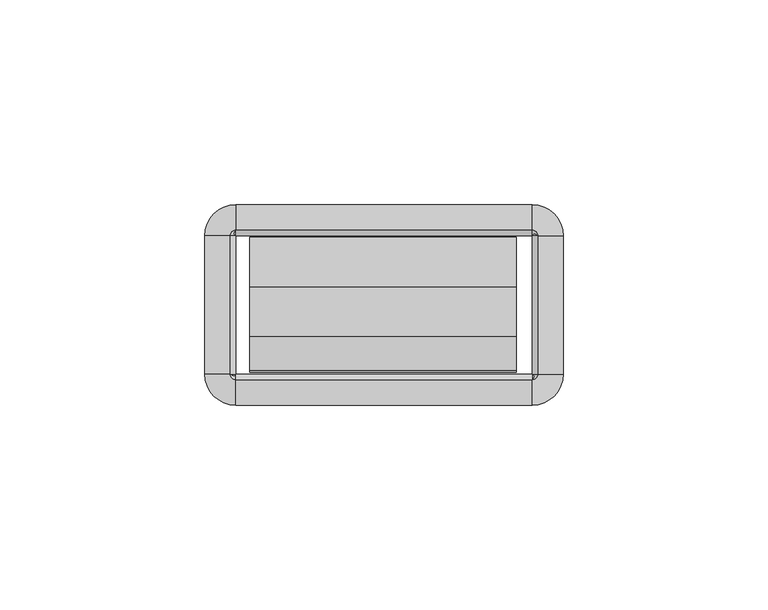
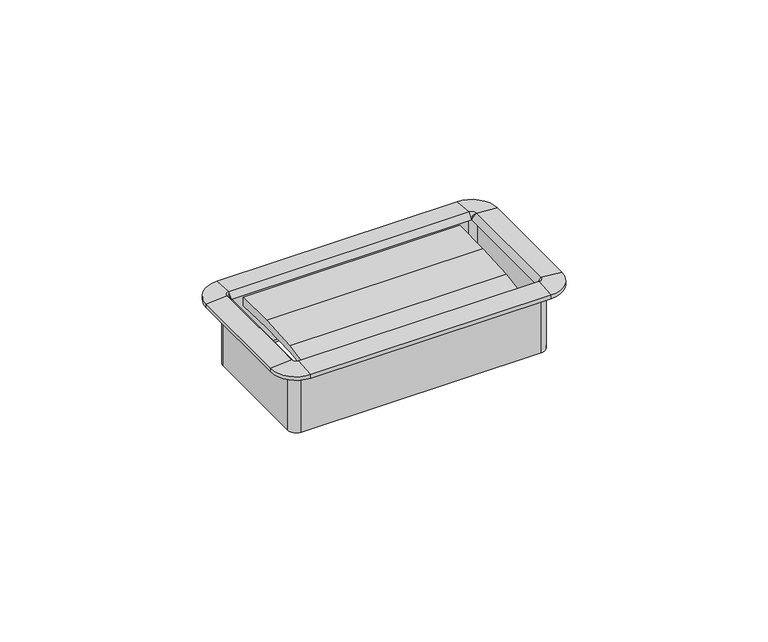
"""IFC4 building model written with IfcOpenShell, lengths in millimetres: furniture geometry."""

from ifc_helpers import new_model, si_unit, frame, origin, place, context, project, spatial, polyline, circle_curve, outline, extrude, source, transform, mapped, element, save
from ifc_brep_helpers import plane_surface, cylinder_surface, revolved_surface, advanced_brep


def furniture_615d4fff(model_context):
    return source(origin(), model_context, "Body", "SolidModel", [
        extrude(outline(polyline([(-27.4015977, 693.0313463), (-35.841251, 691.9677762), (-35.4230807, 693.3457243), (-27.1272776, 694.8847401), (-15.0207956, 695.6783076), (-2.8884162, 695.7234028), (-2.9633248, 692.9652515), (-15.1814712, 693.3642355), (-27.4015977, 693.0313463)])), frame((-32.8496732, 0.0, 0.0), z_axis=(1.0, 0.0, 0.0), x_axis=(0.0, 1.0, 0.0)), (0.0, 0.0, 1.0), 65.1763996),
        advanced_brep(
        [(37.8602578, -2.54, 695.96), (36.1704551, -0.8501974, 695.96), (36.1704551, -0.8501974, 677.1132), (37.8602578, -2.54, 677.1132), (37.5244377, -2.54, 697.6252454), (36.1704551, -1.1860174, 697.6252454), (36.1704551, -2.5172282, 695.96), (43.7913825, -2.54, 697.103), (36.1704551, 5.0809274, 697.103), (43.7913825, -2.54, 695.96), (36.1704551, 5.0809274, 695.96), (38.7104551, -2.54, 675.6399989), (36.1704551, 0.0, 675.6399989), (36.1704551, 0.0, 695.96), (38.7104551, -2.54, 695.96), (37.8602578, -36.2712, 677.1132), (37.8602578, -36.2712, 695.96), (36.1932269, -36.2712, 695.96), (37.5244377, -36.2712, 697.6252454), (43.7913825, -36.2712, 697.103), (43.7913825, -36.2712, 695.96), (38.7104551, -36.2712, 695.96), (38.7104551, -36.2712, 675.6399989), (36.1704551, -37.9610026, 695.96), (36.1704551, -37.9610026, 677.1132), (36.1704551, -37.6251826, 697.6252454), (36.1704551, -43.8921274, 697.103), (36.1704551, -43.8921274, 695.96), (36.1704551, -38.8112, 675.6399989), (36.1704551, -38.8112, 695.96), (-36.1687428, -37.9610026, 677.1132), (-36.1687428, -37.9610026, 695.96), (-36.1687428, -36.2939718, 695.96), (-36.1687428, -37.6251826, 697.6252454), (-36.1687428, -43.8921274, 697.103), (-36.1687428, -43.8921274, 695.96), (-36.1687428, -38.8112, 695.96), (-36.1687428, -38.8112, 675.6399989), (-37.8585455, -36.2712, 695.96), (-37.8585455, -36.2712, 677.1132), (-37.5227254, -36.2712, 697.6252454), (-43.7896702, -36.2712, 697.103), (-43.7896702, -36.2712, 695.96), (-38.7087428, -36.2712, 675.6399989), (-38.7087428, -36.2712, 695.96), (-37.8585455, -2.54, 677.1132), (-37.8585455, -2.54, 695.96), (-36.1915146, -2.54, 695.96), (-37.5227254, -2.54, 697.6252454), (-43.7896702, -2.54, 697.103), (-43.7896702, -2.54, 695.96), (-38.7087428, -2.54, 695.96), (-38.7087428, -2.54, 675.6399989), (-36.1687428, -0.8501974, 695.96), (-36.1687428, -0.8501974, 677.1132), (-36.1687428, -1.1860174, 697.6252454), (-36.1687428, 5.0809274, 697.103), (-36.1687428, 5.0809274, 695.96), (-36.1687428, 0.0, 675.6399989), (-36.1687428, 0.0, 695.96), (38.6519521, -2.54, 677.1132), (36.1704551, -0.058503, 677.1132), (38.6519521, -36.2712, 677.1132), (36.1704551, -38.752697, 677.1132), (-36.1687428, -38.752697, 677.1132), (-38.6502398, -36.2712, 677.1132), (-38.6502398, -2.54, 677.1132), (-36.1687428, -0.058503, 677.1132)],
        [
            (0, 1, circle_curve(frame((36.1704551, -2.54, 695.96), z_axis=(0.0, 0.0, 1.0), x_axis=(0.0, 1.0, 0.0)), 1.6898026)),
            (1, 2),
            (2, 3, circle_curve(frame((36.1704551, -2.54, 677.1132), z_axis=(0.0, 0.0, -1.0), x_axis=(0.0, 1.0, 0.0)), 1.6898026)),
            (3, 0),
            (4, 5, circle_curve(frame((36.1704551, -2.54, 697.6252454), z_axis=(0.0, 0.0, 1.0), x_axis=(0.0, 1.0, 0.0)), 1.3539826)),
            (5, 6),
            (6, 4),
            (7, 8, circle_curve(frame((36.1704551, -2.54, 697.103), z_axis=(0.0, 0.0, 1.0), x_axis=(0.0, 1.0, 0.0)), 7.6209274)),
            (8, 5),
            (4, 7),
            (9, 10, circle_curve(frame((36.1704551, -2.54, 695.96), z_axis=(0.0, 0.0, 1.0), x_axis=(0.0, 1.0, 0.0)), 7.6209274)),
            (10, 8),
            (7, 9),
            (11, 12, circle_curve(frame((36.1704551, -2.54, 675.6399989), z_axis=(0.0, 0.0, 1.0), x_axis=(0.0, 1.0, 0.0)), 2.54)),
            (12, 13),
            (13, 14, circle_curve(frame((36.1704551, -2.54, 695.96), z_axis=(0.0, 0.0, -1.0), x_axis=(0.0, 1.0, 0.0)), 2.54)),
            (14, 11),
            (3, 15),
            (15, 16),
            (16, 0),
            (6, 17),
            (17, 18),
            (18, 4),
            (18, 19),
            (19, 7),
            (19, 20),
            (20, 9),
            (14, 21),
            (21, 22),
            (22, 11),
            (23, 16, circle_curve(frame((36.1704551, -36.2712, 695.96), z_axis=(0.0, 0.0, 1.0), x_axis=(1.0, 0.0, 0.0)), 1.6898026)),
            (15, 24, circle_curve(frame((36.1704551, -36.2712, 677.1132), z_axis=(0.0, 0.0, -1.0), x_axis=(1.0, 0.0, 0.0)), 1.6898026)),
            (24, 23),
            (25, 18, circle_curve(frame((36.1704551, -36.2712, 697.6252454), z_axis=(0.0, 0.0, 1.0), x_axis=(1.0, 0.0, 0.0)), 1.3539826)),
            (17, 25),
            (26, 19, circle_curve(frame((36.1704551, -36.2712, 697.103), z_axis=(0.0, 0.0, 1.0), x_axis=(1.0, 0.0, 0.0)), 7.6209274)),
            (25, 26),
            (27, 20, circle_curve(frame((36.1704551, -36.2712, 695.96), z_axis=(0.0, 0.0, 1.0), x_axis=(1.0, 0.0, 0.0)), 7.6209274)),
            (26, 27),
            (28, 22, circle_curve(frame((36.1704551, -36.2712, 675.6399989), z_axis=(0.0, 0.0, 1.0), x_axis=(1.0, 0.0, 0.0)), 2.54)),
            (21, 29, circle_curve(frame((36.1704551, -36.2712, 695.96), z_axis=(0.0, 0.0, -1.0), x_axis=(1.0, 0.0, 0.0)), 2.54)),
            (29, 28),
            (24, 30),
            (30, 31),
            (31, 23),
            (17, 32),
            (32, 33),
            (33, 25),
            (33, 34),
            (34, 26),
            (34, 35),
            (35, 27),
            (29, 36),
            (36, 37),
            (37, 28),
            (38, 31, circle_curve(frame((-36.1687428, -36.2712, 695.96), z_axis=(0.0, 0.0, 1.0), x_axis=(0.0, -1.0, 0.0)), 1.6898026)),
            (30, 39, circle_curve(frame((-36.1687428, -36.2712, 677.1132), z_axis=(0.0, 0.0, -1.0), x_axis=(0.0, -1.0, 0.0)), 1.6898026)),
            (39, 38),
            (40, 33, circle_curve(frame((-36.1687428, -36.2712, 697.6252454), z_axis=(0.0, 0.0, 1.0), x_axis=(0.0, -1.0, 0.0)), 1.3539826)),
            (32, 40),
            (41, 34, circle_curve(frame((-36.1687428, -36.2712, 697.103), z_axis=(0.0, 0.0, 1.0), x_axis=(0.0, -1.0, 0.0)), 7.6209274)),
            (40, 41),
            (42, 35, circle_curve(frame((-36.1687428, -36.2712, 695.96), z_axis=(0.0, 0.0, 1.0), x_axis=(0.0, -1.0, 0.0)), 7.6209274)),
            (41, 42),
            (43, 37, circle_curve(frame((-36.1687428, -36.2712, 675.6399989), z_axis=(0.0, 0.0, 1.0), x_axis=(0.0, -1.0, 0.0)), 2.54)),
            (36, 44, circle_curve(frame((-36.1687428, -36.2712, 695.96), z_axis=(0.0, 0.0, -1.0), x_axis=(0.0, -1.0, 0.0)), 2.54)),
            (44, 43),
            (39, 45),
            (45, 46),
            (46, 38),
            (32, 47),
            (47, 48),
            (48, 40),
            (48, 49),
            (49, 41),
            (49, 50),
            (50, 42),
            (44, 51),
            (51, 52),
            (52, 43),
            (53, 46, circle_curve(frame((-36.1687428, -2.54, 695.96), z_axis=(0.0, 0.0, 1.0), x_axis=(-1.0, 0.0, 0.0)), 1.6898026)),
            (45, 54, circle_curve(frame((-36.1687428, -2.54, 677.1132), z_axis=(0.0, 0.0, -1.0), x_axis=(-1.0, 0.0, 0.0)), 1.6898026)),
            (54, 53),
            (55, 48, circle_curve(frame((-36.1687428, -2.54, 697.6252454), z_axis=(0.0, 0.0, 1.0), x_axis=(-1.0, 0.0, 0.0)), 1.3539826)),
            (47, 55),
            (56, 49, circle_curve(frame((-36.1687428, -2.54, 697.103), z_axis=(0.0, 0.0, 1.0), x_axis=(-1.0, 0.0, 0.0)), 7.6209274)),
            (55, 56),
            (57, 50, circle_curve(frame((-36.1687428, -2.54, 695.96), z_axis=(0.0, 0.0, 1.0), x_axis=(-1.0, 0.0, 0.0)), 7.6209274)),
            (56, 57),
            (58, 52, circle_curve(frame((-36.1687428, -2.54, 675.6399989), z_axis=(0.0, 0.0, 1.0), x_axis=(-1.0, 0.0, 0.0)), 2.54)),
            (51, 59, circle_curve(frame((-36.1687428, -2.54, 695.96), z_axis=(0.0, 0.0, -1.0), x_axis=(-1.0, 0.0, 0.0)), 2.54)),
            (59, 58),
            (54, 2),
            (1, 53),
            (6, 47),
            (5, 55),
            (8, 56),
            (10, 57),
            (13, 59),
            (12, 58),
            (60, 61, circle_curve(frame((36.1704551, -2.54, 677.1132), z_axis=(0.0, 0.0, 1.0), x_axis=(0.0, 1.0, 0.0)), 2.481497)),
            (61, 12),
            (11, 60),
            (22, 62),
            (62, 60),
            (63, 62, circle_curve(frame((36.1704551, -36.2712, 677.1132), z_axis=(0.0, 0.0, 1.0), x_axis=(1.0, 0.0, 0.0)), 2.481497)),
            (28, 63),
            (37, 64),
            (64, 63),
            (65, 64, circle_curve(frame((-36.1687428, -36.2712, 677.1132), z_axis=(0.0, 0.0, 1.0), x_axis=(0.0, -1.0, 0.0)), 2.481497)),
            (43, 65),
            (52, 66),
            (66, 65),
            (67, 66, circle_curve(frame((-36.1687428, -2.54, 677.1132), z_axis=(0.0, 0.0, 1.0), x_axis=(-1.0, 0.0, 0.0)), 2.481497)),
            (58, 67),
            (61, 67),
        ],
        [
            revolved_surface(polyline([(36.1704551, -0.8501974000000001, 677.1132), (36.1704551, -0.8501974000000001, 695.96)]), (36.1704551, -2.54, 695.96), (0.0, 0.0, -1.0)),
            revolved_surface(polyline([(36.1704551, -2.5172282, 695.96), (36.1704551, -1.1860174, 697.6252454)]), (36.1704551, -2.54, 695.96), (0.0, 0.0, -1.0)),
            revolved_surface(polyline([(36.1704551, -1.1860174, 697.6252454), (36.1704551, 5.0809274, 697.103)]), (36.1704551, -2.54, 695.96), (0.0, 0.0, -1.0)),
            cylinder_surface(frame((36.1704551, -2.54, 695.96), z_axis=(0.0, 0.0, -1.0), x_axis=(0.0, 1.0, 0.0)), 7.6209274),
            cylinder_surface(frame((36.1704551, -2.54, 695.96), z_axis=(0.0, 0.0, -1.0), x_axis=(0.0, 1.0, 0.0)), 2.54),
            plane_surface(frame((37.8602578, -2.54, 677.1132), z_axis=(-1.0, 0.0, 0.0), x_axis=(0.0, -1.0, 0.0))),
            plane_surface(frame((36.1932269, -2.54, 695.96), z_axis=(-0.7810942622858547, 0.0, 0.6244131272035499), x_axis=(0.0, -1.0, 0.0))),
            plane_surface(frame((37.5244377, -2.54, 697.6252454), z_axis=(0.08304548081379862, 0.0, 0.9965457581648749), x_axis=(0.0, -1.0, 0.0))),
            plane_surface(frame((43.7913825, -2.54, 697.103), z_axis=(1.0, 0.0, 0.0), x_axis=(0.0, -1.0, 0.0))),
            plane_surface(frame((38.7104551, -2.54, 695.96), z_axis=(1.0, 0.0, 0.0), x_axis=(0.0, -1.0, 0.0))),
            revolved_surface(polyline([(37.8602577, -36.2712, 677.1132), (37.8602577, -36.2712, 695.96)]), (36.1704551, -36.2712, 695.96), (0.0, 0.0, -1.0)),
            revolved_surface(polyline([(36.1932269, -36.2712, 695.96), (37.5244377, -36.2712, 697.6252454)]), (36.1704551, -36.2712, 695.96), (0.0, 0.0, -1.0)),
            revolved_surface(polyline([(37.5244377, -36.2712, 697.6252454), (43.7913825, -36.2712, 697.103)]), (36.1704551, -36.2712, 695.96), (0.0, 0.0, -1.0)),
            cylinder_surface(frame((36.1704551, -36.2712, 695.96), z_axis=(0.0, 0.0, -1.0), x_axis=(1.0, 0.0, 0.0)), 7.6209274),
            cylinder_surface(frame((36.1704551, -36.2712, 695.96), z_axis=(0.0, 0.0, -1.0), x_axis=(1.0, 0.0, 0.0)), 2.54),
            plane_surface(frame((36.1704551, -37.9610026, 677.1132), z_axis=(0.0, 1.0, 0.0), x_axis=(-1.0, 0.0, 0.0))),
            plane_surface(frame((36.1704551, -36.2939718, 695.96), z_axis=(0.0, 0.7810942622858565, 0.6244131272035475), x_axis=(-1.0, 0.0, 0.0))),
            plane_surface(frame((36.1704551, -37.6251826, 697.6252454), z_axis=(0.0, -0.08304548081379555, 0.9965457581648751), x_axis=(-1.0, 0.0, 0.0))),
            plane_surface(frame((36.1704551, -43.8921274, 697.103), z_axis=(0.0, -1.0, 0.0), x_axis=(-1.0, 0.0, 0.0))),
            plane_surface(frame((36.1704551, -38.8112, 695.96), z_axis=(0.0, -1.0, 0.0), x_axis=(-1.0, 0.0, 0.0))),
            revolved_surface(polyline([(-36.1687428, -37.9610026, 677.1132), (-36.1687428, -37.9610026, 695.96)]), (-36.1687428, -36.2712, 695.96), (0.0, 0.0, -1.0)),
            revolved_surface(polyline([(-36.1687428, -36.2939718, 695.96), (-36.1687428, -37.6251826, 697.6252454)]), (-36.1687428, -36.2712, 695.96), (0.0, 0.0, -1.0)),
            revolved_surface(polyline([(-36.1687428, -37.6251826, 697.6252454), (-36.1687428, -43.8921274, 697.103)]), (-36.1687428, -36.2712, 695.96), (0.0, 0.0, -1.0)),
            cylinder_surface(frame((-36.1687428, -36.2712, 695.96), z_axis=(0.0, 0.0, -1.0), x_axis=(0.0, -1.0, 0.0)), 7.6209274),
            cylinder_surface(frame((-36.1687428, -36.2712, 695.96), z_axis=(0.0, 0.0, -1.0), x_axis=(0.0, -1.0, 0.0)), 2.54),
            plane_surface(frame((-37.8585455, -36.2712, 677.1132), z_axis=(1.0, 0.0, 0.0), x_axis=(0.0, 1.0, 0.0))),
            plane_surface(frame((-36.1915146, -36.2712, 695.96), z_axis=(0.7810942622858585, 0.0, 0.6244131272035451), x_axis=(0.0, 1.0, 0.0))),
            plane_surface(frame((-37.5227254, -36.2712, 697.6252454), z_axis=(-0.08304548081379248, 0.0, 0.9965457581648753), x_axis=(0.0, 1.0, 0.0))),
            plane_surface(frame((-43.7896702, -36.2712, 697.103), z_axis=(-1.0, 0.0, 0.0), x_axis=(0.0, 1.0, 0.0))),
            plane_surface(frame((-38.7087428, -36.2712, 695.96), z_axis=(-1.0, 0.0, 0.0), x_axis=(0.0, 1.0, 0.0))),
            revolved_surface(polyline([(-37.8585454, -2.54, 677.1132), (-37.8585454, -2.54, 695.96)]), (-36.1687428, -2.54, 695.96), (0.0, 0.0, -1.0)),
            revolved_surface(polyline([(-36.1915146, -2.54, 695.96), (-37.5227254, -2.54, 697.6252454)]), (-36.1687428, -2.54, 695.96), (0.0, 0.0, -1.0)),
            revolved_surface(polyline([(-37.5227254, -2.54, 697.6252454), (-43.7896702, -2.54, 697.103)]), (-36.1687428, -2.54, 695.96), (0.0, 0.0, -1.0)),
            cylinder_surface(frame((-36.1687428, -2.54, 695.96), z_axis=(0.0, 0.0, -1.0), x_axis=(-1.0, 0.0, 0.0)), 7.6209274),
            cylinder_surface(frame((-36.1687428, -2.54, 695.96), z_axis=(0.0, 0.0, -1.0), x_axis=(-1.0, 0.0, 0.0)), 2.54),
            plane_surface(frame((-36.1687428, -0.8501974, 677.1132), z_axis=(0.0, -1.0, 0.0), x_axis=(1.0, 0.0, 0.0))),
            plane_surface(frame((-36.1687428, -0.8501974, 695.96), z_axis=(0.0, 0.0, -1.0), x_axis=(1.0, 0.0, 0.0))),
            plane_surface(frame((-36.1687428, -2.5172282, 695.96), z_axis=(0.0, -0.7810942622858567, 0.6244131272035476), x_axis=(1.0, 0.0, 0.0))),
            plane_surface(frame((-36.1687428, -1.1860174, 697.6252454), z_axis=(0.0, 0.08304548081379555, 0.9965457581648751), x_axis=(1.0, 0.0, 0.0))),
            plane_surface(frame((-36.1687428, 5.0809274, 697.103), z_axis=(0.0, 1.0, 0.0), x_axis=(1.0, 0.0, 0.0))),
            plane_surface(frame((-36.1687428, 5.0809274, 695.96), z_axis=(0.0, 0.0, -1.0), x_axis=(1.0, 0.0, 0.0))),
            plane_surface(frame((-36.1687428, 0.0, 695.96), z_axis=(0.0, 1.0, 0.0), x_axis=(1.0, 0.0, 0.0))),
            revolved_surface(polyline([(36.1704551, 0.0, 675.6399989), (36.1704551, -0.058503, 677.1132)]), (36.1704551, -2.54, 695.96), (0.0, 0.0, -1.0)),
            plane_surface(frame((38.7104551, -2.54, 675.6399989), z_axis=(-0.9992124303949471, 0.0, -0.03968020847000604), x_axis=(0.0, -1.0, 0.0))),
            revolved_surface(polyline([(38.7104551, -36.2712, 675.6399989), (38.6519521, -36.2712, 677.1132)]), (36.1704551, -36.2712, 695.96), (0.0, 0.0, -1.0)),
            plane_surface(frame((36.1704551, -38.8112, 675.6399989), z_axis=(0.0, 0.999212430394947, -0.039680208470009116), x_axis=(-1.0, 0.0, 0.0))),
            revolved_surface(polyline([(-36.1687428, -38.8112, 675.6399989), (-36.1687428, -38.752697, 677.1132)]), (-36.1687428, -36.2712, 695.96), (0.0, 0.0, -1.0)),
            plane_surface(frame((-38.7087428, -36.2712, 675.6399989), z_axis=(0.9992124303949469, 0.0, -0.03968020847001219), x_axis=(0.0, 1.0, 0.0))),
            revolved_surface(polyline([(-38.7087428, -2.54, 675.6399989), (-38.6502398, -2.54, 677.1132)]), (-36.1687428, -2.54, 695.96), (0.0, 0.0, -1.0)),
            plane_surface(frame((-36.1687428, 0.0, 675.6399989), z_axis=(0.0, -0.999212430394947, -0.039680208470009116), x_axis=(1.0, 0.0, 0.0))),
            plane_surface(frame((-36.1687428, -0.058503, 677.1132), z_axis=(0.0, 0.0, -1.0), x_axis=(1.0, 0.0, 0.0))),
        ],
        [
            (0, [[1, 2, 3, 4]]),
            (1, [[5, 6, 7]]),
            (2, [[8, 9, -5, 10]]),
            (3, [[11, 12, -8, 13]]),
            (4, [[14, 15, 16, 17]]),
            (5, [[-4, 18, 19, 20]]),
            (6, [[-7, 21, 22, 23]]),
            (7, [[-10, -23, 24, 25]]),
            (8, [[-13, -25, 26, 27]]),
            (9, [[-17, 28, 29, 30]]),
            (10, [[31, -19, 32, 33]]),
            (11, [[34, -22, 35]]),
            (12, [[36, -24, -34, 37]]),
            (13, [[38, -26, -36, 39]]),
            (14, [[40, -29, 41, 42]]),
            (15, [[-33, 43, 44, 45]]),
            (16, [[-35, 46, 47, 48]]),
            (17, [[-37, -48, 49, 50]]),
            (18, [[-39, -50, 51, 52]]),
            (19, [[-42, 53, 54, 55]]),
            (20, [[56, -44, 57, 58]]),
            (21, [[59, -47, 60]]),
            (22, [[61, -49, -59, 62]]),
            (23, [[63, -51, -61, 64]]),
            (24, [[65, -54, 66, 67]]),
            (25, [[-58, 68, 69, 70]]),
            (26, [[-60, 71, 72, 73]]),
            (27, [[-62, -73, 74, 75]]),
            (28, [[-64, -75, 76, 77]]),
            (29, [[-67, 78, 79, 80]]),
            (30, [[81, -69, 82, 83]]),
            (31, [[84, -72, 85]]),
            (32, [[86, -74, -84, 87]]),
            (33, [[88, -76, -86, 89]]),
            (34, [[90, -79, 91, 92]]),
            (35, [[-83, 93, -2, 94]]),
            (36, [[-70, -81, -94, -1, -20, -31, -45, -56], [95, -71, -46, -21]]),
            (37, [[-85, -95, -6, 96]]),
            (38, [[-87, -96, -9, 97]]),
            (39, [[-89, -97, -12, 98]]),
            (40, [[-77, -88, -98, -11, -27, -38, -52, -63], [99, -91, -78, -66, -53, -41, -28, -16]]),
            (41, [[-92, -99, -15, 100]]),
            (42, [[101, 102, -14, 103]]),
            (43, [[-103, -30, 104, 105]]),
            (44, [[106, -104, -40, 107]]),
            (45, [[-107, -55, 108, 109]]),
            (46, [[110, -108, -65, 111]]),
            (47, [[-111, -80, 112, 113]]),
            (48, [[114, -112, -90, 115]]),
            (49, [[-115, -100, -102, 116]]),
            (50, [[-113, -114, -116, -101, -105, -106, -109, -110], [-93, -82, -68, -57, -43, -32, -18, -3]]),
        ],
    ),
    ])


if __name__ == "__main__":
    model = new_model("IFC4")
    model_context = context("Model", 3, world=origin())
    ifc_project = project(units=[si_unit("LENGTHUNIT", "METRE", prefix="MILLI")], contexts=[model_context])
    site = spatial("IfcSite", under=ifc_project)
    building = spatial("IfcBuilding", under=site)
    placement = place(None, origin())
    furniture_shape = furniture_615d4fff(model_context)
    element("IfcFurniture", 1, at=placement, inside=building, context=model_context, shape_type="MappedRepresentation", body=[
        mapped(furniture_shape, transform((0.0, 0.0, 0.0), x_axis=(1.0, 0.0, 0.0), y_axis=(0.0, 1.0, 0.0), z_axis=(0.0, 0.0, 1.0))),
    ])
    save(model, "model.ifc")
